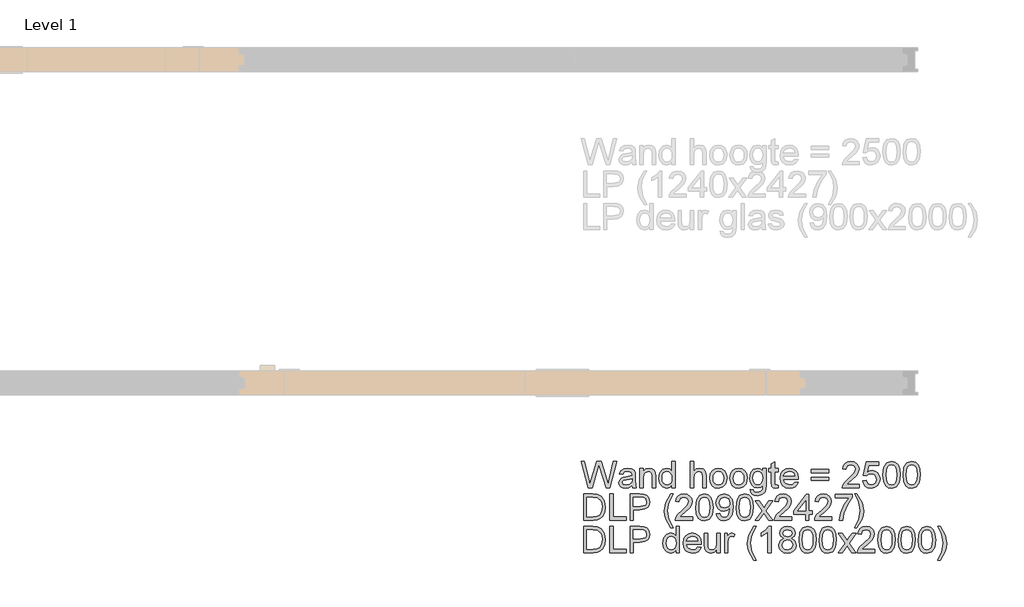
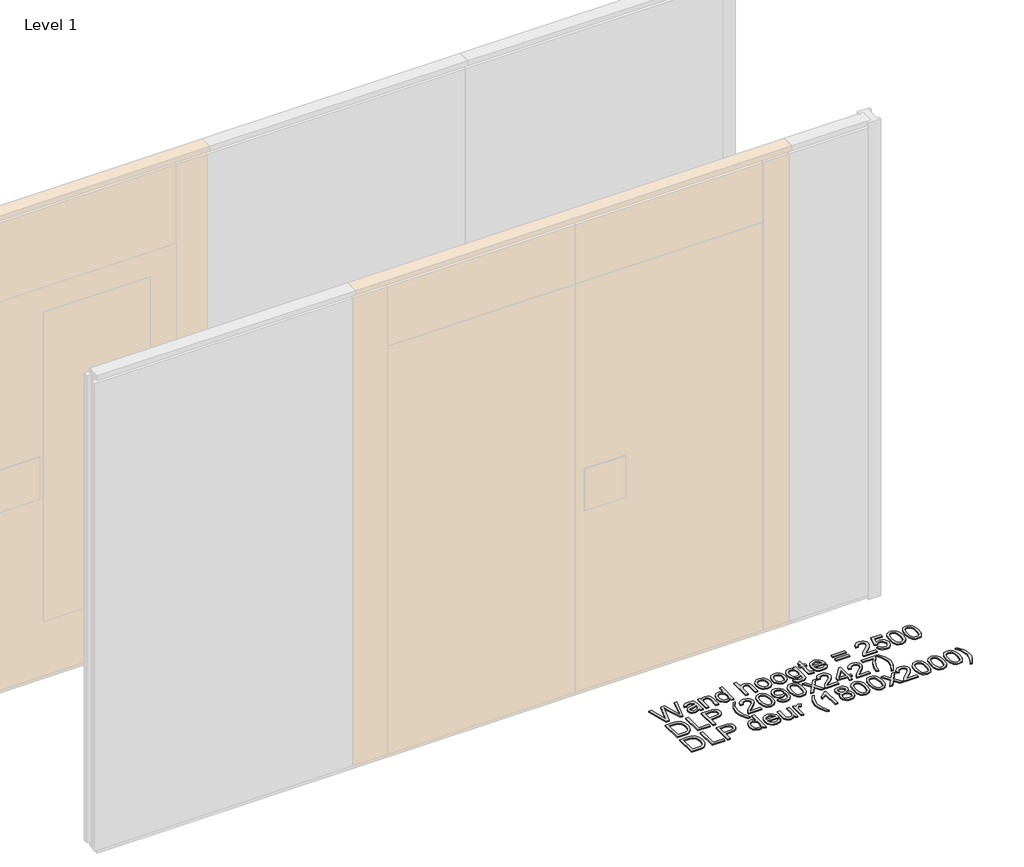
# One storey, part 3 of 17: 1 proxy.
"""IFC4 building model written with IfcOpenShell, lengths in millimetres."""

from ifc_helpers import new_model, si_unit, origin, origin_with_axes, place, context, project, spatial, polyline, outline, extrude, element, save

model = new_model("IFC4")

# Units and contexts
model_context = context("Model", 3, world=origin())
ifc_project = project(units=[si_unit("LENGTHUNIT", "METRE", prefix="MILLI")], contexts=[model_context])

# Site, building, storey
site = spatial("IfcSite", under=ifc_project)
building = spatial("IfcBuilding", under=site)
storey = spatial("IfcBuildingStorey", under=building, Name="Level 1", Elevation=0.0)

# Proxy
placement = place(None, origin())
element("IfcBuildingElementProxy", 1, Name="100 mm", ObjectType="100 mm", at=placement, inside=storey, context=model_context, shape_type="SweptSolid", body=[
    extrude(outline(polyline([(-2181.5016279, -717.0897831), (-2208.3525894, -618.6282446), (-2195.6602817, -618.6282446), (-2180.0833587, -683.3397831), (-2175.2756664, -703.3157446), (-2170.1314356, -685.6474754), (-2150.6122048, -618.6282446), (-2132.3189356, -618.6282446), (-2118.1362433, -667.2099754), (-2107.5833587, -703.3157446), (-2102.9198971, -683.9167062), (-2087.1987433, -618.6282446), (-2074.5064356, -618.6282446), (-2101.3814356, -717.0897831), (-2114.530474, -717.0897831), (-2138.1362433, -641.1282446), (-2141.4295125, -630.5272831), (-2145.1314356, -643.2917062), (-2166.6458587, -717.0897831), (-2181.5016279, -717.0897831)])), origin_with_axes(), (0.0, 0.0, 1.0), 5.0),
    extrude(outline(polyline([(-2017.5833587, -707.8590139), (-2029.5184548, -716.20036), (-2042.703551, -718.6282446), (-2052.9890077, -717.1679081), (-2060.5761471, -712.7868985), (-2065.2546327, -706.1342543), (-2066.8141279, -697.8590139), (-2064.4583587, -688.1234369), (-2058.2684548, -681.0561293), (-2049.6506664, -677.0176677), (-2039.0016279, -675.1667062), (-2017.655474, -670.9359369), (-2017.5833587, -668.1955523), (-2020.9727817, -659.1090139), (-2034.578551, -655.5513216), (-2047.030474, -657.91911), (-2052.967974, -666.3205523), (-2065.2756664, -664.7820908), (-2059.9511471, -652.76286), (-2049.2299933, -645.7195908), (-2032.9920125, -643.2436293), (-2018.0761471, -645.4311293), (-2009.6506664, -650.9239177), (-2005.8766279, -659.2772831), (-2005.2756664, -670.0465139), (-2005.2756664, -685.3590139), (-2004.6506664, -706.7412254), (-2002.1987433, -717.0897831), (-2014.5064356, -717.0897831), (-2017.5833587, -707.8590139)]), holes=[polyline([(-2017.5833587, -683.2436293), (-2037.4391279, -687.0176677), (-2048.0280702, -689.01286), (-2052.8237433, -692.2580523), (-2054.5064356, -696.9936293), (-2050.8405702, -703.6522831), (-2040.0833587, -706.3205523), (-2027.6314356, -703.3758408), (-2019.6025894, -696.2484369), (-2017.655474, -686.7292062), (-2017.5833587, -683.2436293)])]), origin_with_axes(), (0.0, 0.0, 1.0), 5.0),
    extrude(outline(polyline([(-1988.3525894, -717.0897831), (-1988.3525894, -644.7820908), (-1976.0448971, -644.7820908), (-1976.0448971, -654.8782446), (-1966.6338394, -646.1522831), (-1953.7852817, -643.2436293), (-1942.1626856, -645.5873793), (-1934.2299933, -651.7412254), (-1930.5400894, -660.7917062), (-1929.891051, -672.6907446), (-1929.891051, -717.0897831), (-1942.1987433, -717.0897831), (-1942.1987433, -674.3493985), (-1943.6170125, -663.4599754), (-1948.6290317, -657.7027639), (-1957.078551, -655.5513216), (-1970.4319164, -660.3830523), (-1974.6416519, -667.3842543), (-1976.0448971, -678.7243985), (-1976.0448971, -717.0897831), (-1988.3525894, -717.0897831)])), origin_with_axes(), (0.0, 0.0, 1.0), 5.0),
    extrude(outline(polyline([(-1868.3525894, -717.0897831), (-1868.3525894, -705.4792062), (-1876.4956183, -715.340985), (-1887.7516279, -718.6282446), (-1902.9920125, -713.8686293), (-1913.7612433, -700.5873793), (-1917.5833587, -681.0080523), (-1914.061724, -661.4167062), (-1903.5088394, -647.9311293), (-1887.7997048, -643.2436293), (-1876.453551, -646.5969946), (-1868.3525894, -655.3109369), (-1868.3525894, -618.6282446), (-1856.0448971, -618.6282446), (-1856.0448971, -717.0897831), (-1868.3525894, -717.0897831)]), holes=[polyline([(-1905.2756664, -680.9599754), (-1903.8874452, -692.0927879), (-1899.7227817, -700.0104562), (-1893.671099, -704.7430283), (-1886.6218202, -706.3205523), (-1879.5755462, -704.8151437), (-1873.6771087, -700.2989177), (-1869.6837192, -692.6877398), (-1868.3525894, -681.8974754), (-1869.7077577, -670.1006004), (-1873.7732625, -661.9215139), (-1879.8219404, -657.1438696), (-1887.1266279, -655.5513216), (-1894.2480221, -657.0807687), (-1900.0833587, -661.66911), (-1903.9775894, -669.5507206), (-1905.2756664, -680.9599754)])]), origin_with_axes(), (0.0, 0.0, 1.0), 5.0),
    extrude(outline(polyline([(-1799.1218202, -717.0897831), (-1799.1218202, -618.6282446), (-1786.8141279, -618.6282446), (-1786.8141279, -654.8301677), (-1777.2167721, -646.1402639), (-1765.3958587, -643.2436293), (-1751.5737433, -646.4046869), (-1743.1843202, -655.1426677), (-1740.6602817, -671.3205523), (-1740.6602817, -717.0897831), (-1752.967974, -717.0897831), (-1752.967974, -672.5945908), (-1756.8862433, -659.6138216), (-1767.9920125, -655.5513216), (-1778.0761471, -658.2917062), (-1784.8069164, -665.7195908), (-1786.8141279, -678.6763216), (-1786.8141279, -717.0897831), (-1799.1218202, -717.0897831)])), origin_with_axes(), (0.0, 0.0, 1.0), 5.0),
    extrude(outline(polyline([(-1726.8141279, -680.9359369), (-1724.1518683, -663.5020427), (-1716.1650894, -651.2484369), (-1706.297301, -645.2448312), (-1694.4823971, -643.2436293), (-1681.5527096, -645.6805283), (-1671.2251856, -652.9912254), (-1664.4553539, -664.5987975), (-1662.1987433, -679.9263216), (-1666.1891279, -701.82536), (-1677.811724, -714.2171869), (-1694.4823971, -718.6282446), (-1707.5683346, -716.20036), (-1717.8838394, -708.9167062), (-1724.5815558, -697.0657446), (-1726.8141279, -680.9359369)]), holes=[polyline([(-1714.5064356, -680.9118985), (-1713.0821567, -692.0507206), (-1708.8093202, -699.9864177), (-1702.3790317, -704.7370187), (-1694.4823971, -706.3205523), (-1686.6218202, -704.7280043), (-1680.203551, -699.95036), (-1675.9307144, -691.9094946), (-1674.5064356, -680.5272831), (-1675.9397289, -669.7129802), (-1680.2396087, -661.8854562), (-1686.6668923, -657.1348552), (-1694.4823971, -655.5513216), (-1702.3790317, -657.1288456), (-1708.8093202, -661.8614177), (-1713.0821567, -669.779086), (-1714.5064356, -680.9118985)])]), origin_with_axes(), (0.0, 0.0, 1.0), 5.0),
    extrude(outline(polyline([(-1651.4295125, -680.9359369), (-1648.7672529, -663.5020427), (-1640.780474, -651.2484369), (-1630.9126856, -645.2448312), (-1619.0977817, -643.2436293), (-1606.1680942, -645.6805283), (-1595.8405702, -652.9912254), (-1589.0707385, -664.5987975), (-1586.8141279, -679.9263216), (-1590.8045125, -701.82536), (-1602.4271087, -714.2171869), (-1619.0977817, -718.6282446), (-1632.1837192, -716.20036), (-1642.499224, -708.9167062), (-1649.1969404, -697.0657446), (-1651.4295125, -680.9359369)]), holes=[polyline([(-1639.1218202, -680.9118985), (-1637.6975414, -692.0507206), (-1633.4247048, -699.9864177), (-1626.9944164, -704.7370187), (-1619.0977817, -706.3205523), (-1611.2372048, -704.7280043), (-1604.8189356, -699.95036), (-1600.546099, -691.9094946), (-1599.1218202, -680.5272831), (-1600.5551135, -669.7129802), (-1604.8549933, -661.8854562), (-1611.2822769, -657.1348552), (-1619.0977817, -655.5513216), (-1626.9944164, -657.1288456), (-1633.4247048, -661.8614177), (-1637.6975414, -669.779086), (-1639.1218202, -680.9118985)])]), origin_with_axes(), (0.0, 0.0, 1.0), 5.0),
    extrude(outline(polyline([(-1576.0448971, -723.2436293), (-1563.7372048, -724.7820908), (-1559.7468202, -731.2724754), (-1547.7997048, -734.01286), (-1535.203551, -730.9118985), (-1529.1939356, -722.2099754), (-1528.3525894, -707.8590139), (-1537.0184548, -714.7820908), (-1547.5833587, -717.0897831), (-1560.2726615, -714.403485), (-1569.734801, -706.3445908), (-1575.6212192, -694.5296869), (-1577.5833587, -680.57536), (-1574.061724, -661.5008408), (-1563.8694164, -648.0032446), (-1548.1843202, -643.2436293), (-1537.2047529, -645.9359369), (-1528.3525894, -654.01286), (-1528.3525894, -644.7820908), (-1516.0448971, -644.7820908), (-1516.0448971, -707.2099754), (-1519.4102817, -731.1162254), (-1530.0713394, -742.2340139), (-1548.0400894, -746.3205523), (-1559.4914115, -744.8812494), (-1568.5088394, -740.5633408), (-1574.2930942, -733.3548071), (-1576.0448971, -723.2436293)]), holes=[polyline([(-1565.2756664, -679.7340139), (-1563.9625654, -691.0230764), (-1560.0232625, -698.7844946), (-1554.1007865, -703.2826918), (-1546.8381664, -704.7820908), (-1539.6296327, -703.2917062), (-1533.6771087, -698.8205523), (-1529.6837192, -691.1582927), (-1528.3525894, -680.0945908), (-1529.7227817, -669.4245187), (-1533.8333587, -661.7412254), (-1539.8730221, -657.0987975), (-1547.030474, -655.5513216), (-1554.0587192, -657.0747591), (-1559.9511471, -661.6450716), (-1563.9445365, -669.2141821), (-1565.2756664, -679.7340139)])]), origin_with_axes(), (0.0, 0.0, 1.0), 5.0),
    extrude(outline(polyline([(-1471.4295125, -706.82536), (-1469.891051, -717.45036), (-1479.0977817, -718.6282446), (-1489.4102817, -716.5849754), (-1494.5545125, -711.2243985), (-1496.0448971, -697.2580523), (-1496.0448971, -657.0897831), (-1505.2756664, -657.0897831), (-1505.2756664, -644.7820908), (-1496.0448971, -644.7820908), (-1496.0448971, -627.2099754), (-1483.7372048, -619.9743985), (-1483.7372048, -644.7820908), (-1471.4295125, -644.7820908), (-1471.4295125, -657.0897831), (-1483.7372048, -657.0897831), (-1483.7372048, -696.8974754), (-1483.0881664, -703.2436293), (-1480.984801, -705.4912254), (-1476.7900894, -706.3205523), (-1471.4295125, -706.82536)])), origin_with_axes(), (0.0, 0.0, 1.0), 5.0),
    extrude(outline(polyline([(-1408.4968202, -695.5513216), (-1396.4295125, -697.0897831), (-1400.7774692, -706.1823312), (-1407.7155702, -712.9792062), (-1417.0875654, -717.215985), (-1428.7372048, -718.6282446), (-1443.1783106, -716.1913456), (-1454.2900894, -708.8806485), (-1461.375426, -697.1709129), (-1463.7372048, -681.5368985), (-1461.3513875, -665.3770427), (-1454.1939356, -653.2917062), (-1443.2323971, -645.7556485), (-1429.4343202, -643.2436293), (-1416.0659308, -645.7496389), (-1405.3838394, -653.2676677), (-1398.3796327, -665.3289658), (-1396.0448971, -681.4647831), (-1396.1170125, -684.7820908), (-1451.4295125, -684.7820908), (-1449.2991039, -693.9948312), (-1444.3501856, -700.7676677), (-1428.4968202, -706.3205523), (-1416.4295125, -703.7484369), (-1408.4968202, -695.5513216)]), holes=[polyline([(-1451.4295125, -672.4743985), (-1408.3525894, -672.4743985), (-1413.280474, -661.3205523), (-1420.4559548, -656.9936293), (-1429.4823971, -655.5513216), (-1444.6386471, -660.1546869), (-1451.4295125, -672.4743985)])]), origin_with_axes(), (0.0, 0.0, 1.0), 5.0),
    extrude(outline(polyline([(-1282.1987433, -660.1667062), (-1346.8141279, -660.1667062), (-1346.8141279, -647.8590139), (-1282.1987433, -647.8590139), (-1282.1987433, -660.1667062)])), origin_with_axes(), (0.0, 0.0, 1.0), 5.0),
    extrude(outline(polyline([(-1282.1987433, -689.3974754), (-1346.8141279, -689.3974754), (-1346.8141279, -677.0897831), (-1282.1987433, -677.0897831), (-1282.1987433, -689.3974754)])), origin_with_axes(), (0.0, 0.0, 1.0), 5.0),
    extrude(outline(polyline([(-1166.8141279, -704.7820908), (-1166.8141279, -717.0897831), (-1231.4295125, -717.0897831), (-1230.1073971, -708.6042062), (-1222.6314356, -695.5393023), (-1207.2227817, -681.2724754), (-1185.9727817, -660.7676677), (-1180.6602817, -646.82536), (-1185.672301, -635.5393023), (-1198.7612433, -630.9359369), (-1212.4030702, -635.4311293), (-1217.5833587, -647.8590139), (-1229.891051, -646.3205523), (-1226.9072769, -634.4155043), (-1220.4559548, -625.7195908), (-1210.8736231, -620.4010812), (-1198.4968202, -618.6282446), (-1186.0298731, -620.5993985), (-1176.4655702, -626.51286), (-1170.3808346, -635.3469946), (-1168.3525894, -646.0801677), (-1170.5400894, -657.7508408), (-1177.811724, -669.8181485), (-1195.4439356, -686.6811293), (-1209.6025894, -698.5200716), (-1215.155474, -704.7820908), (-1166.8141279, -704.7820908)])), origin_with_axes(), (0.0, 0.0, 1.0), 5.0),
    extrude(outline(polyline([(-1154.5064356, -690.9359369), (-1142.1987433, -689.3974754), (-1135.9968202, -702.0777639), (-1123.1362433, -706.3205523), (-1114.3141279, -704.8451918), (-1107.703551, -700.41911), (-1103.5749452, -693.5531244), (-1102.1987433, -684.7580523), (-1107.3549933, -670.1426677), (-1113.8303539, -666.122235), (-1122.9439356, -664.7820908), (-1133.749224, -666.9215139), (-1140.6602817, -672.4743985), (-1152.967974, -670.9359369), (-1142.1987433, -620.1667062), (-1094.5064356, -620.1667062), (-1094.5064356, -632.4743985), (-1132.2468202, -632.4743985), (-1137.5112433, -659.5897831), (-1128.719176, -654.2532446), (-1119.5064356, -652.4743985), (-1108.0070365, -654.6799273), (-1098.4607625, -661.2965139), (-1092.0334789, -671.3806485), (-1089.891051, -683.9888216), (-1091.8201375, -696.2965139), (-1097.6073971, -706.82536), (-1108.6891279, -715.6775235), (-1123.1843202, -718.6282446), (-1135.2726615, -716.732211), (-1144.9030702, -711.04411), (-1151.5046327, -702.2249994), (-1154.5064356, -690.9359369)])), origin_with_axes(), (0.0, 0.0, 1.0), 5.0),
    extrude(outline(polyline([(-1079.1218202, -668.6522831), (-1075.5040317, -640.3229562), (-1064.7588394, -623.9888216), (-1046.8141279, -618.6282446), (-1032.4391279, -621.8013216), (-1022.5112433, -630.9479562), (-1016.7420125, -645.5152639), (-1014.5064356, -668.6522831), (-1018.0881664, -696.8614177), (-1028.797301, -713.23161), (-1046.8141279, -718.6282446), (-1059.6025894, -716.2844946), (-1069.3141279, -709.2532446), (-1076.6698971, -692.6006004), (-1079.1218202, -668.6522831)]), holes=[polyline([(-1066.8141279, -668.6282446), (-1065.3718202, -687.9882206), (-1061.0448971, -699.1931485), (-1054.6025894, -704.5387014), (-1046.8141279, -706.3205523), (-1039.0256664, -704.5326918), (-1032.5833587, -699.16911), (-1028.2564356, -687.9581725), (-1026.8141279, -668.6282446), (-1028.2083587, -649.7039658), (-1032.391051, -638.4118985), (-1038.8213394, -632.8049273), (-1046.9583587, -630.9359369), (-1054.6626856, -632.5825716), (-1060.8525894, -637.5224754), (-1065.3237433, -649.5176677), (-1066.8141279, -668.6282446)])]), origin_with_axes(), (0.0, 0.0, 1.0), 5.0),
    extrude(outline(polyline([(-1003.7372048, -668.6522831), (-1000.1194164, -640.3229562), (-989.374224, -623.9888216), (-971.4295125, -618.6282446), (-957.0545125, -621.8013216), (-947.1266279, -630.9479562), (-941.3573971, -645.5152639), (-939.1218202, -668.6522831), (-942.703551, -696.8614177), (-953.4126856, -713.23161), (-971.4295125, -718.6282446), (-984.217974, -716.2844946), (-993.9295125, -709.2532446), (-1001.2852817, -692.6006004), (-1003.7372048, -668.6522831)]), holes=[polyline([(-991.4295125, -668.6282446), (-989.9872048, -687.9882206), (-985.6602817, -699.1931485), (-979.217974, -704.5387014), (-971.4295125, -706.3205523), (-963.641051, -704.5326918), (-957.1987433, -699.16911), (-952.8718202, -687.9581725), (-951.4295125, -668.6282446), (-952.8237433, -649.7039658), (-957.0064356, -638.4118985), (-963.436724, -632.8049273), (-971.5737433, -630.9359369), (-979.2780702, -632.5825716), (-985.467974, -637.5224754), (-989.9391279, -649.5176677), (-991.4295125, -668.6282446)])]), origin_with_axes(), (0.0, 0.0, 1.0), 5.0),
    extrude(outline(polyline([(-2199.1218202, -838.6282446), (-2199.1218202, -740.1667062), (-2165.155474, -740.1667062), (-2147.5833587, -741.5849754), (-2133.1122048, -748.6282446), (-2121.453551, -765.4551677), (-2117.5833587, -788.8686293), (-2120.203551, -808.7364177), (-2126.9343202, -823.07536), (-2135.9247048, -832.0056485), (-2147.6915317, -836.9455523), (-2163.5208587, -838.6282446), (-2199.1218202, -838.6282446)]), holes=[polyline([(-2186.8141279, -826.3205523), (-2165.0352817, -826.3205523), (-2149.1939356, -824.5417062), (-2140.0593202, -819.5176677), (-2132.5713394, -807.29411), (-2129.891051, -788.6763216), (-2131.2041519, -775.26286), (-2135.1434548, -765.3590139), (-2147.9198971, -754.4455523), (-2165.3718202, -752.4743985), (-2186.8141279, -752.4743985), (-2186.8141279, -826.3205523)])]), origin_with_axes(), (0.0, 0.0, 1.0), 5.0),
    extrude(outline(polyline([(-2100.6602817, -838.6282446), (-2100.6602817, -740.1667062), (-2088.3525894, -740.1667062), (-2088.3525894, -826.3205523), (-2039.1218202, -826.3205523), (-2039.1218202, -838.6282446), (-2100.6602817, -838.6282446)])), origin_with_axes(), (0.0, 0.0, 1.0), 5.0),
    extrude(outline(polyline([(-2025.2756664, -838.6282446), (-2025.2756664, -740.1667062), (-1988.7852817, -740.1667062), (-1974.0737433, -741.1042062), (-1962.1146087, -745.7075716), (-1954.3622048, -755.2268023), (-1951.4295125, -768.6522831), (-1953.4096808, -780.2568504), (-1959.3501856, -789.9263216), (-1970.4589596, -796.4527639), (-1987.9439356, -798.6282446), (-2012.967974, -798.6282446), (-2012.967974, -838.6282446), (-2025.2756664, -838.6282446)]), holes=[polyline([(-2012.967974, -786.3205523), (-1987.2227817, -786.3205523), (-1969.0977817, -781.8013216), (-1965.077349, -776.3626196), (-1963.7372048, -769.0849754), (-1966.8982625, -758.8926677), (-1975.203551, -753.3157446), (-1987.5112433, -752.4743985), (-2012.967974, -752.4743985), (-2012.967974, -786.3205523)])]), origin_with_axes(), (0.0, 0.0, 1.0), 5.0),
    extrude(outline(polyline([(-1872.967974, -866.3205523), (-1890.4439356, -837.45036), (-1895.7985029, -820.6114177), (-1897.5833587, -803.1715139), (-1892.2468202, -773.2436293), (-1872.967974, -740.1667062), (-1863.7372048, -740.1667062), (-1875.2516279, -759.6618985), (-1882.1747048, -778.5561293), (-1885.2756664, -803.2436293), (-1879.891051, -834.79411), (-1863.7372048, -866.3205523), (-1872.967974, -866.3205523)])), origin_with_axes(), (0.0, 0.0, 1.0), 5.0),
    extrude(outline(polyline([(-1791.4295125, -826.3205523), (-1791.4295125, -838.6282446), (-1856.0448971, -838.6282446), (-1854.7227817, -830.1426677), (-1847.2468202, -817.0777639), (-1831.8381664, -802.8109369), (-1810.5881664, -782.3061293), (-1805.2756664, -768.3638216), (-1810.2876856, -757.0777639), (-1823.3766279, -752.4743985), (-1837.0184548, -756.9695908), (-1842.1987433, -769.3974754), (-1854.5064356, -767.8590139), (-1851.5226615, -755.9539658), (-1845.0713394, -747.2580523), (-1835.4890077, -741.9395427), (-1823.1122048, -740.1667062), (-1810.6452577, -742.13786), (-1801.0809548, -748.0513216), (-1794.9962192, -756.8854562), (-1792.967974, -767.6186293), (-1795.155474, -779.2893023), (-1802.4271087, -791.35661), (-1820.0593202, -808.2195908), (-1834.217974, -820.0585331), (-1839.7708587, -826.3205523), (-1791.4295125, -826.3205523)])), origin_with_axes(), (0.0, 0.0, 1.0), 5.0),
    extrude(outline(polyline([(-1779.1218202, -790.1907446), (-1775.5040317, -761.8614177), (-1764.7588394, -745.5272831), (-1746.8141279, -740.1667062), (-1732.4391279, -743.3397831), (-1722.5112433, -752.4864177), (-1716.7420125, -767.0537254), (-1714.5064356, -790.1907446), (-1718.0881664, -818.3998793), (-1728.797301, -834.7700716), (-1746.8141279, -840.1667062), (-1759.6025894, -837.8229562), (-1769.3141279, -830.7917062), (-1776.6698971, -814.1390619), (-1779.1218202, -790.1907446)]), holes=[polyline([(-1766.8141279, -790.1667062), (-1765.3718202, -809.5266821), (-1761.0448971, -820.73161), (-1754.6025894, -826.0771629), (-1746.8141279, -827.8590139), (-1739.0256664, -826.0711533), (-1732.5833587, -820.7075716), (-1728.2564356, -809.4966341), (-1726.8141279, -790.1667062), (-1728.2083587, -771.2424273), (-1732.391051, -759.95036), (-1738.8213394, -754.3433889), (-1746.9583587, -752.4743985), (-1754.6626856, -754.1210331), (-1760.8525894, -759.0609369), (-1765.3237433, -771.0561293), (-1766.8141279, -790.1667062)])]), origin_with_axes(), (0.0, 0.0, 1.0), 5.0),
    extrude(outline(polyline([(-1702.1987433, -814.01286), (-1689.891051, -812.4743985), (-1684.3622048, -824.2171869), (-1673.8814356, -827.8590139), (-1663.9174933, -825.5152639), (-1657.1626856, -819.2532446), (-1653.1362433, -808.5561293), (-1651.3573971, -794.2772831), (-1651.4295125, -791.8734369), (-1661.2732625, -801.20036), (-1674.7708587, -804.7820908), (-1685.9938154, -802.5945908), (-1695.3357625, -796.0320908), (-1701.6368442, -785.8938696), (-1703.7372048, -772.9792062), (-1701.5346808, -759.63786), (-1694.9271087, -749.1811293), (-1685.0022289, -742.4203119), (-1672.8477817, -740.1667062), (-1655.311724, -745.3109369), (-1643.2444164, -759.9743985), (-1639.1218202, -787.5224754), (-1643.2323971, -817.4143023), (-1655.4559548, -834.3493985), (-1664.2630462, -838.7123793), (-1674.4583587, -840.1667062), (-1684.9811952, -838.450961), (-1693.3766279, -833.3037254), (-1699.2480221, -825.0495187), (-1702.1987433, -814.01286)]), holes=[polyline([(-1651.4295125, -772.6907446), (-1656.7420125, -757.9311293), (-1670.8525894, -752.4743985), (-1679.0737433, -753.9437494), (-1685.6602817, -758.3518023), (-1689.9872048, -765.0975956), (-1691.4295125, -773.5801677), (-1685.9727817, -787.2219946), (-1671.1891279, -792.4743985), (-1656.9944164, -787.2219946), (-1652.8207385, -780.9629802), (-1651.4295125, -772.6907446)])]), origin_with_axes(), (0.0, 0.0, 1.0), 5.0),
    extrude(outline(polyline([(-1628.3525894, -790.1907446), (-1624.734801, -761.8614177), (-1613.9896087, -745.5272831), (-1596.0448971, -740.1667062), (-1581.6698971, -743.3397831), (-1571.7420125, -752.4864177), (-1565.9727817, -767.0537254), (-1563.7372048, -790.1907446), (-1567.3189356, -818.3998793), (-1578.0280702, -834.7700716), (-1596.0448971, -840.1667062), (-1608.8333587, -837.8229562), (-1618.5448971, -830.7917062), (-1625.9006664, -814.1390619), (-1628.3525894, -790.1907446)]), holes=[polyline([(-1616.0448971, -790.1667062), (-1614.6025894, -809.5266821), (-1610.2756664, -820.73161), (-1603.8333587, -826.0771629), (-1596.0448971, -827.8590139), (-1588.2564356, -826.0711533), (-1581.8141279, -820.7075716), (-1577.4872048, -809.4966341), (-1576.0448971, -790.1667062), (-1577.4391279, -771.2424273), (-1581.6218202, -759.95036), (-1588.0521087, -754.3433889), (-1596.1891279, -752.4743985), (-1603.8934548, -754.1210331), (-1610.0833587, -759.0609369), (-1614.5545125, -771.0561293), (-1616.0448971, -790.1667062)])]), origin_with_axes(), (0.0, 0.0, 1.0), 5.0),
    extrude(outline(polyline([(-1557.5833587, -838.6282446), (-1531.2852817, -802.2820908), (-1556.0448971, -766.3205523), (-1541.2372048, -766.3205523), (-1529.2900894, -783.6282446), (-1523.7131664, -791.8013216), (-1518.8814356, -785.1186293), (-1505.2756664, -766.3205523), (-1490.467974, -766.3205523), (-1516.4775894, -802.2820908), (-1491.4295125, -838.6282446), (-1506.2372048, -838.6282446), (-1521.3093202, -816.7772831), (-1524.0737433, -812.7868985), (-1542.7756664, -838.6282446), (-1557.5833587, -838.6282446)])), origin_with_axes(), (0.0, 0.0, 1.0), 5.0),
    extrude(outline(polyline([(-1420.6602817, -826.3205523), (-1420.6602817, -838.6282446), (-1485.2756664, -838.6282446), (-1483.953551, -830.1426677), (-1476.4775894, -817.0777639), (-1461.0689356, -802.8109369), (-1439.8189356, -782.3061293), (-1434.5064356, -768.3638216), (-1439.5184548, -757.0777639), (-1452.6073971, -752.4743985), (-1466.249224, -756.9695908), (-1471.4295125, -769.3974754), (-1483.7372048, -767.8590139), (-1480.7534308, -755.9539658), (-1474.3021087, -747.2580523), (-1464.7197769, -741.9395427), (-1452.342974, -740.1667062), (-1439.8760269, -742.13786), (-1430.311724, -748.0513216), (-1424.2269885, -756.8854562), (-1422.1987433, -767.6186293), (-1424.3862433, -779.2893023), (-1431.6578779, -791.35661), (-1449.2900894, -808.2195908), (-1463.4487433, -820.0585331), (-1469.0016279, -826.3205523), (-1420.6602817, -826.3205523)])), origin_with_axes(), (0.0, 0.0, 1.0), 5.0),
    extrude(outline(polyline([(-1368.3525894, -838.6282446), (-1368.3525894, -815.5513216), (-1412.967974, -815.5513216), (-1412.967974, -803.2436293), (-1365.2756664, -741.7051677), (-1356.0448971, -741.7051677), (-1356.0448971, -803.2436293), (-1343.7372048, -803.2436293), (-1343.7372048, -815.5513216), (-1356.0448971, -815.5513216), (-1356.0448971, -838.6282446), (-1368.3525894, -838.6282446)]), holes=[polyline([(-1368.3525894, -803.2436293), (-1368.3525894, -765.2147831), (-1397.8237433, -803.2436293), (-1368.3525894, -803.2436293)])]), origin_with_axes(), (0.0, 0.0, 1.0), 5.0),
    extrude(outline(polyline([(-1269.891051, -826.3205523), (-1269.891051, -838.6282446), (-1334.5064356, -838.6282446), (-1333.1843202, -830.1426677), (-1325.7083587, -817.0777639), (-1310.2997048, -802.8109369), (-1289.0497048, -782.3061293), (-1283.7372048, -768.3638216), (-1288.749224, -757.0777639), (-1301.8381664, -752.4743985), (-1315.4799933, -756.9695908), (-1320.6602817, -769.3974754), (-1332.967974, -767.8590139), (-1329.9842, -755.9539658), (-1323.5328779, -747.2580523), (-1313.9505462, -741.9395427), (-1301.5737433, -740.1667062), (-1289.1067962, -742.13786), (-1279.5424933, -748.0513216), (-1273.4577577, -756.8854562), (-1271.4295125, -767.6186293), (-1273.6170125, -779.2893023), (-1280.8886471, -791.35661), (-1298.5208587, -808.2195908), (-1312.6795125, -820.0585331), (-1318.2323971, -826.3205523), (-1269.891051, -826.3205523)])), origin_with_axes(), (0.0, 0.0, 1.0), 5.0),
    extrude(outline(polyline([(-1257.5833587, -754.01286), (-1257.5833587, -741.7051677), (-1192.967974, -741.7051677), (-1192.967974, -751.6570908), (-1211.297301, -778.1354562), (-1225.3237433, -811.8734369), (-1229.891051, -838.6282446), (-1242.1987433, -838.6282446), (-1237.3069164, -810.8638216), (-1223.8814356, -779.48161), (-1205.2756664, -754.01286), (-1257.5833587, -754.01286)])), origin_with_axes(), (0.0, 0.0, 1.0), 5.0),
    extrude(outline(polyline([(-1176.0448971, -866.3205523), (-1185.2756664, -866.3205523), (-1169.1218202, -834.79411), (-1163.7372048, -803.2436293), (-1166.8381664, -778.7724754), (-1173.6891279, -759.8542062), (-1185.2756664, -740.1667062), (-1176.0448971, -740.1667062), (-1156.766051, -773.2436293), (-1151.4295125, -803.1715139), (-1153.2233827, -820.6114177), (-1158.6049933, -837.45036), (-1176.0448971, -866.3205523)])), origin_with_axes(), (0.0, 0.0, 1.0), 5.0),
    extrude(outline(polyline([(-2199.1218202, -960.1667062), (-2199.1218202, -861.7051677), (-2165.155474, -861.7051677), (-2147.5833587, -863.1234369), (-2133.1122048, -870.1667062), (-2121.453551, -886.9936293), (-2117.5833587, -910.4070908), (-2120.203551, -930.2748793), (-2126.9343202, -944.6138216), (-2135.9247048, -953.54411), (-2147.6915317, -958.4840139), (-2163.5208587, -960.1667062), (-2199.1218202, -960.1667062)]), holes=[polyline([(-2186.8141279, -947.8590139), (-2165.0352817, -947.8590139), (-2149.1939356, -946.0801677), (-2140.0593202, -941.0561293), (-2132.5713394, -928.8325716), (-2129.891051, -910.2147831), (-2131.2041519, -896.8013216), (-2135.1434548, -886.8974754), (-2147.9198971, -875.9840139), (-2165.3718202, -874.01286), (-2186.8141279, -874.01286), (-2186.8141279, -947.8590139)])]), origin_with_axes(), (0.0, 0.0, 1.0), 5.0),
    extrude(outline(polyline([(-2100.6602817, -960.1667062), (-2100.6602817, -861.7051677), (-2088.3525894, -861.7051677), (-2088.3525894, -947.8590139), (-2039.1218202, -947.8590139), (-2039.1218202, -960.1667062), (-2100.6602817, -960.1667062)])), origin_with_axes(), (0.0, 0.0, 1.0), 5.0),
    extrude(outline(polyline([(-2025.2756664, -960.1667062), (-2025.2756664, -861.7051677), (-1988.7852817, -861.7051677), (-1974.0737433, -862.6426677), (-1962.1146087, -867.2460331), (-1954.3622048, -876.7652639), (-1951.4295125, -890.1907446), (-1953.4096808, -901.7953119), (-1959.3501856, -911.4647831), (-1970.4589596, -917.9912254), (-1987.9439356, -920.1667062), (-2012.967974, -920.1667062), (-2012.967974, -960.1667062), (-2025.2756664, -960.1667062)]), holes=[polyline([(-2012.967974, -907.8590139), (-1987.2227817, -907.8590139), (-1969.0977817, -903.3397831), (-1965.077349, -897.9010812), (-1963.7372048, -890.6234369), (-1966.8982625, -880.4311293), (-1975.203551, -874.8542062), (-1987.5112433, -874.01286), (-2012.967974, -874.01286), (-2012.967974, -907.8590139)])]), origin_with_axes(), (0.0, 0.0, 1.0), 5.0),
    extrude(outline(polyline([(-1852.967974, -960.1667062), (-1852.967974, -948.5561293), (-1861.1110029, -958.4179081), (-1872.3670125, -961.7051677), (-1887.6073971, -956.9455523), (-1898.3766279, -943.6643023), (-1902.1987433, -924.0849754), (-1898.6771087, -904.4936293), (-1888.124224, -891.0080523), (-1872.4150894, -886.3205523), (-1861.0689356, -889.6739177), (-1852.967974, -898.38786), (-1852.967974, -861.7051677), (-1840.6602817, -861.7051677), (-1840.6602817, -960.1667062), (-1852.967974, -960.1667062)]), holes=[polyline([(-1889.891051, -924.0368985), (-1888.5028298, -935.169711), (-1884.3381664, -943.0873793), (-1878.2864837, -947.8199514), (-1871.2372048, -949.3974754), (-1864.1909308, -947.8920668), (-1858.2924933, -943.3758408), (-1854.2991039, -935.7646629), (-1852.967974, -924.9743985), (-1854.3231423, -913.1775235), (-1858.3886471, -904.9984369), (-1864.437325, -900.2207927), (-1871.7420125, -898.6282446), (-1878.8634067, -900.1576918), (-1884.6987433, -904.7460331), (-1888.592974, -912.6276437), (-1889.891051, -924.0368985)])]), origin_with_axes(), (0.0, 0.0, 1.0), 5.0),
    extrude(outline(polyline([(-1771.5737433, -938.6282446), (-1759.5064356, -940.1667062), (-1763.8543923, -949.2592543), (-1770.7924933, -956.0561293), (-1780.1644885, -960.2929081), (-1791.8141279, -961.7051677), (-1806.2552337, -959.2682687), (-1817.3670125, -951.9575716), (-1824.452349, -940.247836), (-1826.8141279, -924.6138216), (-1824.4283106, -908.4539658), (-1817.2708587, -896.3686293), (-1806.3093202, -888.8325716), (-1792.5112433, -886.3205523), (-1779.1428539, -888.8265619), (-1768.4607625, -896.3445908), (-1761.4565558, -908.4058889), (-1759.1218202, -924.5417062), (-1759.1939356, -927.8590139), (-1814.5064356, -927.8590139), (-1812.3760269, -937.0717543), (-1807.4271087, -943.8445908), (-1791.5737433, -949.3974754), (-1779.5064356, -946.82536), (-1771.5737433, -938.6282446)]), holes=[polyline([(-1814.5064356, -915.5513216), (-1771.4295125, -915.5513216), (-1776.3573971, -904.3974754), (-1783.5328779, -900.0705523), (-1792.5593202, -898.6282446), (-1807.7155702, -903.23161), (-1814.5064356, -915.5513216)])]), origin_with_axes(), (0.0, 0.0, 1.0), 5.0),
    extrude(outline(polyline([(-1700.6602817, -960.1667062), (-1700.6602817, -947.7388216), (-1710.2997048, -958.2135812), (-1722.8718202, -961.7051677), (-1734.4463394, -959.2532446), (-1742.4271087, -953.0993985), (-1746.092974, -944.0368985), (-1746.8141279, -932.5945908), (-1746.8141279, -887.8590139), (-1734.5064356, -887.8590139), (-1734.5064356, -926.8013216), (-1733.7612433, -939.3493985), (-1728.8934548, -946.7171869), (-1719.7227817, -949.3974754), (-1709.4463394, -946.6570908), (-1702.655474, -939.1931485), (-1700.6602817, -925.4792062), (-1700.6602817, -887.8590139), (-1688.3525894, -887.8590139), (-1688.3525894, -960.1667062), (-1700.6602817, -960.1667062)])), origin_with_axes(), (0.0, 0.0, 1.0), 5.0),
    extrude(outline(polyline([(-1671.4295125, -960.1667062), (-1671.4295125, -887.8590139), (-1660.6602817, -887.8590139), (-1660.6602817, -898.5561293), (-1653.016051, -888.70036), (-1645.3237433, -886.3205523), (-1632.967974, -890.1186293), (-1637.078551, -901.1522831), (-1645.7323971, -898.6282446), (-1652.6915317, -901.0561293), (-1657.1266279, -907.7868985), (-1659.1218202, -922.1618985), (-1659.1218202, -960.1667062), (-1671.4295125, -960.1667062)])), origin_with_axes(), (0.0, 0.0, 1.0), 5.0),
    extrude(outline(polyline([(-1562.1987433, -987.8590139), (-1579.6747048, -958.9888216), (-1585.0292721, -942.1498793), (-1586.8141279, -924.7099754), (-1581.4775894, -894.7820908), (-1562.1987433, -861.7051677), (-1552.967974, -861.7051677), (-1564.4823971, -881.20036), (-1571.405474, -900.0945908), (-1574.5064356, -924.7820908), (-1569.1218202, -956.3325716), (-1552.967974, -987.8590139), (-1562.1987433, -987.8590139)])), origin_with_axes(), (0.0, 0.0, 1.0), 5.0),
    extrude(outline(polyline([(-1497.5833587, -960.1667062), (-1509.891051, -960.1667062), (-1509.891051, -883.4359369), (-1521.5497048, -891.7412254), (-1534.5064356, -897.9551677), (-1534.5064356, -886.3205523), (-1516.4655702, -874.8061293), (-1505.516051, -861.7051677), (-1497.5833587, -861.7051677), (-1497.5833587, -960.1667062)])), origin_with_axes(), (0.0, 0.0, 1.0), 5.0),
    extrude(outline(polyline([(-1450.4198971, -905.9359369), (-1461.6338394, -898.2917062), (-1465.2756664, -886.3926677), (-1463.2924933, -876.7712735), (-1457.342974, -868.8205523), (-1448.094176, -863.4840139), (-1436.2131664, -861.7051677), (-1424.2600414, -863.5260812), (-1414.891051, -868.9888216), (-1408.8333587, -877.0657446), (-1406.8141279, -886.7292062), (-1410.4078779, -898.3277639), (-1421.3093202, -905.9359369), (-1408.2203779, -915.5873793), (-1403.7372048, -931.51286), (-1405.9607625, -943.2796869), (-1412.6314356, -953.0032446), (-1422.9319164, -959.5296869), (-1436.0448971, -961.7051677), (-1449.1578779, -959.5206725), (-1459.4583587, -952.9671869), (-1466.1290317, -943.1504802), (-1468.3525894, -931.1763216), (-1463.6891279, -914.8782446), (-1450.4198971, -905.9359369)]), holes=[polyline([(-1452.967974, -886.7532446), (-1448.6049933, -896.4167062), (-1435.9006664, -900.1667062), (-1423.4487433, -896.4407446), (-1419.1218202, -887.3061293), (-1423.592974, -877.8469946), (-1436.0448971, -874.01286), (-1448.5328779, -877.76286), (-1452.967974, -886.7532446)]), polyline([(-1456.0448971, -930.7436293), (-1453.9896087, -940.0104562), (-1446.717974, -946.9455523), (-1435.9487433, -949.3974754), (-1421.2852817, -944.2412254), (-1416.0448971, -931.1282446), (-1421.453551, -917.76286), (-1427.8838394, -913.7965139), (-1436.3573971, -912.4743985), (-1450.8405702, -917.6907446), (-1456.0448971, -930.7436293)])]), origin_with_axes(), (0.0, 0.0, 1.0), 5.0),
    extrude(outline(polyline([(-1392.967974, -911.7292062), (-1389.3501856, -883.3998793), (-1378.6049933, -867.0657446), (-1360.6602817, -861.7051677), (-1346.2852817, -864.8782446), (-1336.3573971, -874.0248793), (-1330.5881664, -888.5921869), (-1328.3525894, -911.7292062), (-1331.9343202, -939.9383408), (-1342.6434548, -956.3085331), (-1360.6602817, -961.7051677), (-1373.4487433, -959.3614177), (-1383.1602817, -952.3301677), (-1390.516051, -935.6775235), (-1392.967974, -911.7292062)]), holes=[polyline([(-1380.6602817, -911.7051677), (-1379.217974, -931.0651437), (-1374.891051, -942.2700716), (-1368.4487433, -947.6156244), (-1360.6602817, -949.3974754), (-1352.8718202, -947.6096148), (-1346.4295125, -942.2460331), (-1342.1025894, -931.0350956), (-1340.6602817, -911.7051677), (-1342.0545125, -892.7808889), (-1346.2372048, -881.4888216), (-1352.6674933, -875.8818504), (-1360.8045125, -874.01286), (-1368.5088394, -875.6594946), (-1374.6987433, -880.5993985), (-1379.1698971, -892.5945908), (-1380.6602817, -911.7051677)])]), origin_with_axes(), (0.0, 0.0, 1.0), 5.0),
    extrude(outline(polyline([(-1317.5833587, -911.7292062), (-1313.9655702, -883.3998793), (-1303.2203779, -867.0657446), (-1285.2756664, -861.7051677), (-1270.9006664, -864.8782446), (-1260.9727817, -874.0248793), (-1255.203551, -888.5921869), (-1252.967974, -911.7292062), (-1256.5497048, -939.9383408), (-1267.2588394, -956.3085331), (-1285.2756664, -961.7051677), (-1298.0641279, -959.3614177), (-1307.7756664, -952.3301677), (-1315.1314356, -935.6775235), (-1317.5833587, -911.7292062)]), holes=[polyline([(-1305.2756664, -911.7051677), (-1303.8333587, -931.0651437), (-1299.5064356, -942.2700716), (-1293.0641279, -947.6156244), (-1285.2756664, -949.3974754), (-1277.4872048, -947.6096148), (-1271.0448971, -942.2460331), (-1266.717974, -931.0350956), (-1265.2756664, -911.7051677), (-1266.6698971, -892.7808889), (-1270.8525894, -881.4888216), (-1277.2828779, -875.8818504), (-1285.4198971, -874.01286), (-1293.124224, -875.6594946), (-1299.3141279, -880.5993985), (-1303.7852817, -892.5945908), (-1305.2756664, -911.7051677)])]), origin_with_axes(), (0.0, 0.0, 1.0), 5.0),
    extrude(outline(polyline([(-1246.8141279, -960.1667062), (-1220.516051, -923.8205523), (-1245.2756664, -887.8590139), (-1230.467974, -887.8590139), (-1218.5208587, -905.1667062), (-1212.9439356, -913.3397831), (-1208.1122048, -906.6570908), (-1194.5064356, -887.8590139), (-1179.6987433, -887.8590139), (-1205.7083587, -923.8205523), (-1180.6602817, -960.1667062), (-1195.467974, -960.1667062), (-1210.5400894, -938.3157446), (-1213.3045125, -934.32536), (-1232.0064356, -960.1667062), (-1246.8141279, -960.1667062)])), origin_with_axes(), (0.0, 0.0, 1.0), 5.0),
    extrude(outline(polyline([(-1109.891051, -947.8590139), (-1109.891051, -960.1667062), (-1174.5064356, -960.1667062), (-1173.1843202, -951.6811293), (-1165.7083587, -938.6162254), (-1150.2997048, -924.3493985), (-1129.0497048, -903.8445908), (-1123.7372048, -889.9022831), (-1128.749224, -878.6162254), (-1141.8381664, -874.01286), (-1155.4799933, -878.5080523), (-1160.6602817, -890.9359369), (-1172.967974, -889.3974754), (-1169.9842, -877.4924273), (-1163.5328779, -868.7965139), (-1153.9505462, -863.4780043), (-1141.5737433, -861.7051677), (-1129.1067962, -863.6763216), (-1119.5424933, -869.5897831), (-1113.4577577, -878.4239177), (-1111.4295125, -889.1570908), (-1113.6170125, -900.8277639), (-1120.8886471, -912.8950716), (-1138.5208587, -929.7580523), (-1152.6795125, -941.5969946), (-1158.2323971, -947.8590139), (-1109.891051, -947.8590139)])), origin_with_axes(), (0.0, 0.0, 1.0), 5.0),
    extrude(outline(polyline([(-1097.5833587, -911.7292062), (-1093.9655702, -883.3998793), (-1083.2203779, -867.0657446), (-1065.2756664, -861.7051677), (-1050.9006664, -864.8782446), (-1040.9727817, -874.0248793), (-1035.203551, -888.5921869), (-1032.967974, -911.7292062), (-1036.5497048, -939.9383408), (-1047.2588394, -956.3085331), (-1065.2756664, -961.7051677), (-1078.0641279, -959.3614177), (-1087.7756664, -952.3301677), (-1095.1314356, -935.6775235), (-1097.5833587, -911.7292062)]), holes=[polyline([(-1085.2756664, -911.7051677), (-1083.8333587, -931.0651437), (-1079.5064356, -942.2700716), (-1073.0641279, -947.6156244), (-1065.2756664, -949.3974754), (-1057.4872048, -947.6096148), (-1051.0448971, -942.2460331), (-1046.717974, -931.0350956), (-1045.2756664, -911.7051677), (-1046.6698971, -892.7808889), (-1050.8525894, -881.4888216), (-1057.2828779, -875.8818504), (-1065.4198971, -874.01286), (-1073.124224, -875.6594946), (-1079.3141279, -880.5993985), (-1083.7852817, -892.5945908), (-1085.2756664, -911.7051677)])]), origin_with_axes(), (0.0, 0.0, 1.0), 5.0),
    extrude(outline(polyline([(-1022.1987433, -911.7292062), (-1018.5809548, -883.3998793), (-1007.8357625, -867.0657446), (-989.891051, -861.7051677), (-975.516051, -864.8782446), (-965.5881664, -874.0248793), (-959.8189356, -888.5921869), (-957.5833587, -911.7292062), (-961.1650894, -939.9383408), (-971.874224, -956.3085331), (-989.891051, -961.7051677), (-1002.6795125, -959.3614177), (-1012.391051, -952.3301677), (-1019.7468202, -935.6775235), (-1022.1987433, -911.7292062)]), holes=[polyline([(-1009.891051, -911.7051677), (-1008.4487433, -931.0651437), (-1004.1218202, -942.2700716), (-997.6795125, -947.6156244), (-989.891051, -949.3974754), (-982.1025894, -947.6096148), (-975.6602817, -942.2460331), (-971.3333587, -931.0350956), (-969.891051, -911.7051677), (-971.2852817, -892.7808889), (-975.467974, -881.4888216), (-981.8982625, -875.8818504), (-990.0352817, -874.01286), (-997.7396087, -875.6594946), (-1003.9295125, -880.5993985), (-1008.4006664, -892.5945908), (-1009.891051, -911.7051677)])]), origin_with_axes(), (0.0, 0.0, 1.0), 5.0),
    extrude(outline(polyline([(-946.8141279, -911.7292062), (-943.1963394, -883.3998793), (-932.4511471, -867.0657446), (-914.5064356, -861.7051677), (-900.1314356, -864.8782446), (-890.203551, -874.0248793), (-884.4343202, -888.5921869), (-882.1987433, -911.7292062), (-885.780474, -939.9383408), (-896.4896087, -956.3085331), (-914.5064356, -961.7051677), (-927.2948971, -959.3614177), (-937.0064356, -952.3301677), (-944.3622048, -935.6775235), (-946.8141279, -911.7292062)]), holes=[polyline([(-934.5064356, -911.7051677), (-933.0641279, -931.0651437), (-928.7372048, -942.2700716), (-922.2948971, -947.6156244), (-914.5064356, -949.3974754), (-906.717974, -947.6096148), (-900.2756664, -942.2460331), (-895.9487433, -931.0350956), (-894.5064356, -911.7051677), (-895.9006664, -892.7808889), (-900.0833587, -881.4888216), (-906.5136471, -875.8818504), (-914.6506664, -874.01286), (-922.3549933, -875.6594946), (-928.5448971, -880.5993985), (-933.016051, -892.5945908), (-934.5064356, -911.7051677)])]), origin_with_axes(), (0.0, 0.0, 1.0), 5.0),
    extrude(outline(polyline([(-865.2756664, -987.8590139), (-874.5064356, -987.8590139), (-858.3525894, -956.3325716), (-852.967974, -924.7820908), (-856.0689356, -900.3109369), (-862.9198971, -881.3926677), (-874.5064356, -861.7051677), (-865.2756664, -861.7051677), (-845.9968202, -894.7820908), (-840.6602817, -924.7099754), (-842.4541519, -942.1498793), (-847.8357625, -958.9888216), (-865.2756664, -987.8590139)])), origin_with_axes(), (0.0, 0.0, 1.0), 5.0),
])

save(model, "model.ifc")
